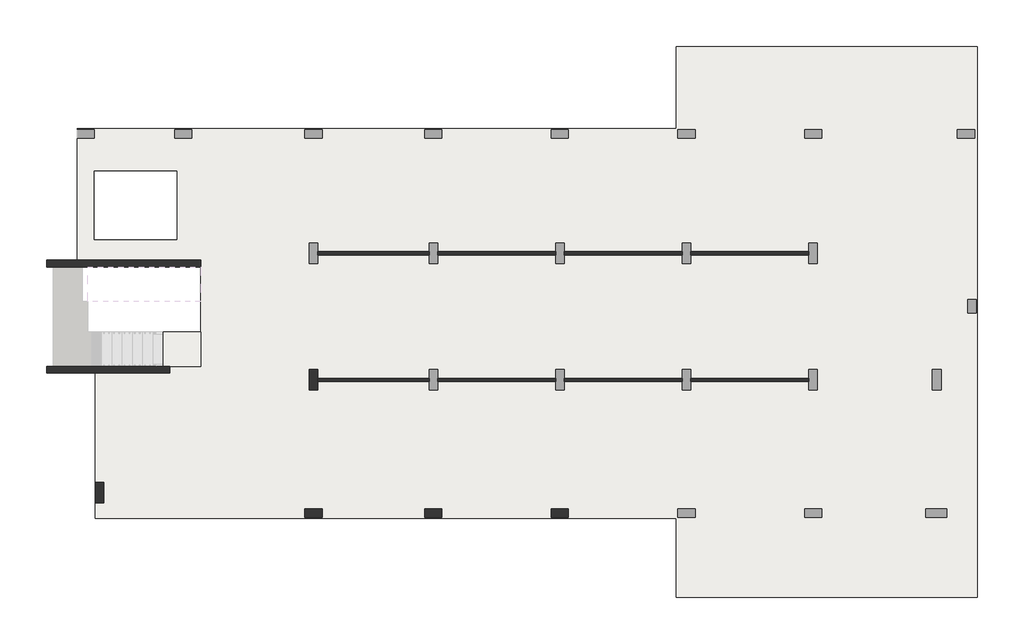
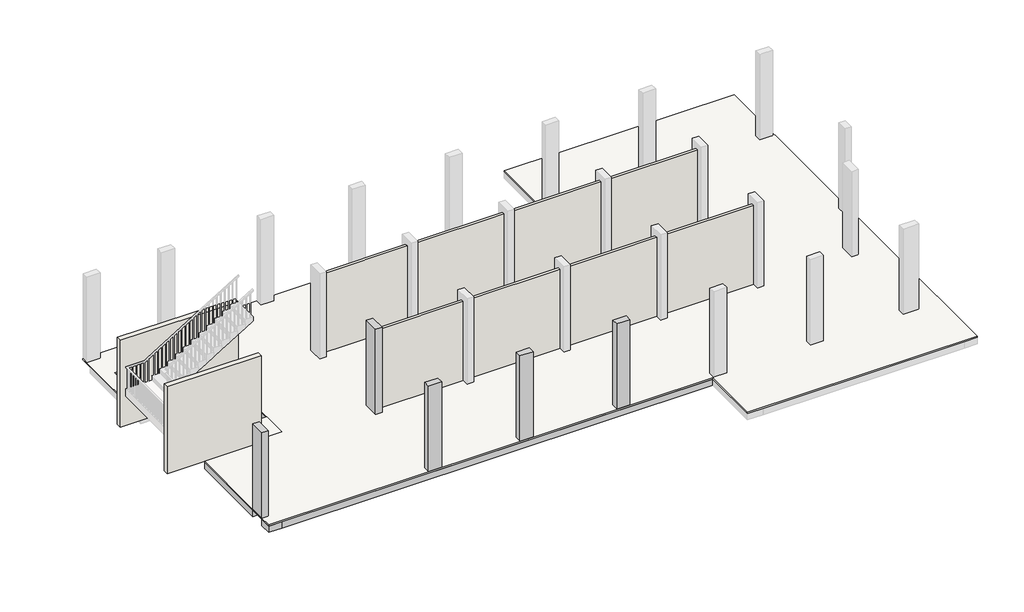
# One storey, part 1 of 5: 30 beams, 10 walls, 5 columns, 2 slabs.
"""IFC4 building model written with IfcOpenShell, lengths in millimetres."""

from ifc_helpers import new_model, si_unit, frame, origin, place, context, project, spatial, polyline, outline, extrude, faceted_brep, element, save

model = new_model("IFC4")

# Units and contexts
model_context = context("Model", 3, world=origin())
ifc_project = project(units=[si_unit("LENGTHUNIT", "METRE", prefix="MILLI")], contexts=[model_context])

# Site, building, storey
site = spatial("IfcSite", under=ifc_project)
building = spatial("IfcBuilding", under=site)
storey = spatial("IfcBuildingStorey", under=building, Elevation=3500.0)

# Beams
placement = place(None, origin())
element("IfcBeam", 1, ObjectType="B 150 x 250 mm", at=placement, inside=storey, context=model_context, shape_type="SweptSolid", body=[
    extrude(outline(polyline([(14525.0390798, -7596.8939341), (14675.0390798, -7596.8939341), (14675.0390798, -10746.893934), (14525.0390798, -10746.893934), (14525.0390798, -7596.8939341)])), frame((0.0, 0.0, 3200.0), z_axis=(0.0, 0.0, 1.0), x_axis=(1.0, 0.0, 0.0)), (0.0, 0.0, 1.0), 250.0),
])
element("IfcBeam", 2, ObjectType="B 150 x 250 mm", at=placement, inside=storey, context=model_context, shape_type="SweptSolid", body=[
    extrude(outline(polyline([(15075.0390798, -7596.8939341), (15225.0390798, -7596.8939341), (15225.0390798, -10746.893934), (15075.0390798, -10746.893934), (15075.0390798, -7596.8939341)])), frame((0.0, 0.0, 3200.0), z_axis=(0.0, 0.0, 1.0), x_axis=(1.0, 0.0, 0.0)), (0.0, 0.0, 1.0), 250.0),
])
element("IfcBeam", 3, ObjectType="B 150 x 250 mm", at=placement, inside=storey, context=model_context, shape_type="SweptSolid", body=[
    extrude(outline(polyline([(15625.0390798, -7596.8939341), (15775.0390798, -7596.8939341), (15775.0390798, -10746.893934), (15625.0390798, -10746.893934), (15625.0390798, -7596.8939341)])), frame((0.0, 0.0, 3200.0), z_axis=(0.0, 0.0, 1.0), x_axis=(1.0, 0.0, 0.0)), (0.0, 0.0, 1.0), 250.0),
])
element("IfcBeam", 4, ObjectType="B 150 x 250 mm", at=placement, inside=storey, context=model_context, shape_type="SweptSolid", body=[
    extrude(outline(polyline([(10825.0390798, -7596.8939341), (10975.0390798, -7596.8939341), (10975.0390798, -10746.893934), (10825.0390798, -10746.893934), (10825.0390798, -7596.8939341)])), frame((0.0, 0.0, 3200.0), z_axis=(0.0, 0.0, 1.0), x_axis=(1.0, 0.0, 0.0)), (0.0, 0.0, 1.0), 250.0),
])
element("IfcBeam", 5, ObjectType="B 150 x 250 mm", at=placement, inside=storey, context=model_context, shape_type="SweptSolid", body=[
    extrude(outline(polyline([(11375.0390798, -7596.8939341), (11525.0390798, -7596.8939341), (11525.0390798, -10746.893934), (11375.0390798, -10746.893934), (11375.0390798, -7596.8939341)])), frame((0.0, 0.0, 3200.0), z_axis=(0.0, 0.0, 1.0), x_axis=(1.0, 0.0, 0.0)), (0.0, 0.0, 1.0), 250.0),
])
element("IfcBeam", 6, ObjectType="B 150 x 250 mm", at=placement, inside=storey, context=model_context, shape_type="SweptSolid", body=[
    extrude(outline(polyline([(11925.0390798, -7596.8939341), (12075.0390798, -7596.8939341), (12075.0390798, -10746.893934), (11925.0390798, -10746.893934), (11925.0390798, -7596.8939341)])), frame((0.0, 0.0, 3200.0), z_axis=(0.0, 0.0, 1.0), x_axis=(1.0, 0.0, 0.0)), (0.0, 0.0, 1.0), 250.0),
])
element("IfcBeam", 7, ObjectType="B 150 x 250 mm", at=placement, inside=storey, context=model_context, shape_type="SweptSolid", body=[
    extrude(outline(polyline([(12475.0390798, -7596.8939341), (12625.0390798, -7596.8939341), (12625.0390798, -10746.893934), (12475.0390798, -10746.893934), (12475.0390798, -7596.8939341)])), frame((0.0, 0.0, 3200.0), z_axis=(0.0, 0.0, 1.0), x_axis=(1.0, 0.0, 0.0)), (0.0, 0.0, 1.0), 250.0),
])
element("IfcBeam", 8, ObjectType="B 150 x 250 mm", at=placement, inside=storey, context=model_context, shape_type="SweptSolid", body=[
    extrude(outline(polyline([(13025.0390798, -7596.8939341), (13175.0390798, -7596.8939341), (13175.0390798, -10746.893934), (13025.0390798, -10746.893934), (13025.0390798, -7596.8939341)])), frame((0.0, 0.0, 3200.0), z_axis=(0.0, 0.0, 1.0), x_axis=(1.0, 0.0, 0.0)), (0.0, 0.0, 1.0), 250.0),
])
element("IfcBeam", 9, ObjectType="B 150 x 250 mm", at=placement, inside=storey, context=model_context, shape_type="SweptSolid", body=[
    extrude(outline(polyline([(7225.0390798, -7596.8939341), (7375.0390798, -7596.8939341), (7375.0390798, -10746.893934), (7225.0390798, -10746.893934), (7225.0390798, -7596.8939341)])), frame((0.0, 0.0, 3200.0), z_axis=(0.0, 0.0, 1.0), x_axis=(1.0, 0.0, 0.0)), (0.0, 0.0, 1.0), 250.0),
])
element("IfcBeam", 10, ObjectType="B 150 x 250 mm", at=placement, inside=storey, context=model_context, shape_type="SweptSolid", body=[
    extrude(outline(polyline([(7775.0390798, -7596.8939341), (7925.0390798, -7596.8939341), (7925.0390798, -10746.893934), (7775.0390798, -10746.893934), (7775.0390798, -7596.8939341)])), frame((0.0, 0.0, 3200.0), z_axis=(0.0, 0.0, 1.0), x_axis=(1.0, 0.0, 0.0)), (0.0, 0.0, 1.0), 250.0),
])
element("IfcBeam", 11, ObjectType="B 150 x 250 mm", at=placement, inside=storey, context=model_context, shape_type="SweptSolid", body=[
    extrude(outline(polyline([(8325.0390798, -7596.8939341), (8475.0390798, -7596.8939341), (8475.0390798, -10746.893934), (8325.0390798, -10746.893934), (8325.0390798, -7596.8939341)])), frame((0.0, 0.0, 3200.0), z_axis=(0.0, 0.0, 1.0), x_axis=(1.0, 0.0, 0.0)), (0.0, 0.0, 1.0), 250.0),
])
element("IfcBeam", 12, ObjectType="B 150 x 250 mm", at=placement, inside=storey, context=model_context, shape_type="SweptSolid", body=[
    extrude(outline(polyline([(8875.0390798, -7596.8939341), (9025.0390798, -7596.8939341), (9025.0390798, -10746.893934), (8875.0390798, -10746.893934), (8875.0390798, -7596.8939341)])), frame((0.0, 0.0, 3200.0), z_axis=(0.0, 0.0, 1.0), x_axis=(1.0, 0.0, 0.0)), (0.0, 0.0, 1.0), 250.0),
])
element("IfcBeam", 13, ObjectType="B 150 x 250 mm", at=placement, inside=storey, context=model_context, shape_type="SweptSolid", body=[
    extrude(outline(polyline([(9425.0390798, -7596.8939341), (9575.0390798, -7596.8939341), (9575.0390798, -10746.893934), (9425.0390798, -10746.893934), (9425.0390798, -7596.8939341)])), frame((0.0, 0.0, 3200.0), z_axis=(0.0, 0.0, 1.0), x_axis=(1.0, 0.0, 0.0)), (0.0, 0.0, 1.0), 250.0),
])
element("IfcBeam", 14, ObjectType="B 150 x 250 mm", at=placement, inside=storey, context=model_context, shape_type="SweptSolid", body=[
    extrude(outline(polyline([(888.8989593, -7596.8939341), (888.8989593, -10746.893934), (777.7588387, -10746.893934), (777.7588387, -7596.8939341), (888.8989593, -7596.8939341)])), frame((0.0, 0.0, 3200.0), z_axis=(0.0, 0.0, 1.0), x_axis=(1.0, 0.0, 0.0)), (0.0, 0.0, 1.0), 250.0),
])
element("IfcBeam", 15, ObjectType="B 150 x 250 mm", at=placement, inside=storey, context=model_context, shape_type="SweptSolid", body=[
    extrude(outline(polyline([(1288.8989593, -7596.8939341), (1438.8989593, -7596.8939341), (1438.8989593, -10746.893934), (1288.8989593, -10746.893934), (1288.8989593, -7596.8939341)])), frame((0.0, 0.0, 3200.0), z_axis=(0.0, 0.0, 1.0), x_axis=(1.0, 0.0, 0.0)), (0.0, 0.0, 1.0), 250.0),
])
element("IfcBeam", 16, ObjectType="B 150 x 250 mm", at=placement, inside=storey, context=model_context, shape_type="SweptSolid", body=[
    extrude(outline(polyline([(1838.8989593, -7596.8939341), (1988.8989593, -7596.8939341), (1988.8989593, -10746.893934), (1838.8989593, -10746.893934), (1838.8989593, -7596.8939341)])), frame((0.0, 0.0, 3200.0), z_axis=(0.0, 0.0, 1.0), x_axis=(1.0, 0.0, 0.0)), (0.0, 0.0, 1.0), 250.0),
])
element("IfcBeam", 17, ObjectType="B 150 x 250 mm", at=placement, inside=storey, context=model_context, shape_type="SweptSolid", body=[
    extrude(outline(polyline([(2388.8989593, -7596.8939341), (2538.8989593, -7596.8939341), (2538.8989593, -10746.893934), (2388.8989593, -10746.893934), (2388.8989593, -7596.8939341)])), frame((0.0, 0.0, 3200.0), z_axis=(0.0, 0.0, 1.0), x_axis=(1.0, 0.0, 0.0)), (0.0, 0.0, 1.0), 250.0),
])
element("IfcBeam", 18, ObjectType="B 150 x 250 mm", at=placement, inside=storey, context=model_context, shape_type="SweptSolid", body=[
    extrude(outline(polyline([(2938.8989593, -7596.8939341), (3088.8989593, -7596.8939341), (3088.8989593, -10746.893934), (2938.8989593, -10746.893934), (2938.8989593, -7596.8939341)])), frame((0.0, 0.0, 3200.0), z_axis=(0.0, 0.0, 1.0), x_axis=(1.0, 0.0, 0.0)), (0.0, 0.0, 1.0), 250.0),
])
element("IfcBeam", 19, ObjectType="B 150 x 250 mm", at=placement, inside=storey, context=model_context, shape_type="SweptSolid", body=[
    extrude(outline(polyline([(3488.8989593, -7596.8939341), (3638.8989593, -7596.8939341), (3638.8989593, -10746.893934), (3488.8989593, -10746.893934), (3488.8989593, -7596.8939341)])), frame((0.0, 0.0, 3200.0), z_axis=(0.0, 0.0, 1.0), x_axis=(1.0, 0.0, 0.0)), (0.0, 0.0, 1.0), 250.0),
])
element("IfcBeam", 20, ObjectType="B 150 x 250 mm", at=placement, inside=storey, context=model_context, shape_type="SweptSolid", body=[
    extrude(outline(polyline([(4038.8989593, -7596.8939341), (4188.8989593, -7596.8939341), (4188.8989593, -10746.893934), (4038.8989593, -10746.893934), (4038.8989593, -7596.8939341)])), frame((0.0, 0.0, 3200.0), z_axis=(0.0, 0.0, 1.0), x_axis=(1.0, 0.0, 0.0)), (0.0, 0.0, 1.0), 250.0),
])
element("IfcBeam", 21, ObjectType="B 150 x 250 mm", at=placement, inside=storey, context=model_context, shape_type="SweptSolid", body=[
    extrude(outline(polyline([(4588.8989593, -7596.8939341), (4738.8989593, -7596.8939341), (4738.8989593, -10746.893934), (4588.8989593, -10746.893934), (4588.8989593, -7596.8939341)])), frame((0.0, 0.0, 3200.0), z_axis=(0.0, 0.0, 1.0), x_axis=(1.0, 0.0, 0.0)), (0.0, 0.0, 1.0), 250.0),
])
element("IfcBeam", 22, ObjectType="B 150 x 250 mm", at=placement, inside=storey, context=model_context, shape_type="SweptSolid", body=[
    extrude(outline(polyline([(5138.8989593, -7596.8939341), (5288.8989593, -7596.8939341), (5288.8989593, -10746.893934), (5138.8989593, -10746.893934), (5138.8989593, -7596.8939341)])), frame((0.0, 0.0, 3200.0), z_axis=(0.0, 0.0, 1.0), x_axis=(1.0, 0.0, 0.0)), (0.0, 0.0, 1.0), 250.0),
])
element("IfcBeam", 23, ObjectType="B 150 x 250 mm", at=placement, inside=storey, context=model_context, shape_type="SweptSolid", body=[
    extrude(outline(polyline([(5688.8989593, -7596.8939341), (5838.8989593, -7596.8939341), (5838.8989593, -10746.893934), (5688.8989593, -10746.893934), (5688.8989593, -7596.8939341)])), frame((0.0, 0.0, 3200.0), z_axis=(0.0, 0.0, 1.0), x_axis=(1.0, 0.0, 0.0)), (0.0, 0.0, 1.0), 250.0),
])
element("IfcBeam", 24, ObjectType="B 150 x 250 mm", at=placement, inside=storey, context=model_context, shape_type="SweptSolid", body=[
    extrude(outline(polyline([(6238.8989593, -10746.893934), (6238.8989593, -7596.8939341), (6350.0390798, -7596.8939341), (6350.0390798, -10746.893934), (6238.8989593, -10746.893934)])), frame((0.0, 0.0, 3200.0), z_axis=(0.0, 0.0, 1.0), x_axis=(1.0, 0.0, 0.0)), (0.0, 0.0, 1.0), 250.0),
])
element("IfcBeam", 25, ObjectType="B 150 x 250 mm", at=placement, inside=storey, context=model_context, shape_type="SweptSolid", body=[
    extrude(outline(polyline([(3925.0195399, -3896.893934), (4075.0195399, -3896.893934), (4075.0195399, -6796.8939341), (3925.0195399, -6796.8939341), (3925.0195399, -3896.893934)])), frame((0.0, 0.0, 3200.0), z_axis=(0.0, 0.0, 1.0), x_axis=(1.0, 0.0, 0.0)), (0.0, 0.0, 1.0), 250.0),
])
element("IfcBeam", 26, ObjectType="B 150 x 250 mm", at=placement, inside=storey, context=model_context, shape_type="SweptSolid", body=[
    extrude(outline(polyline([(4475.0195399, -3896.893934), (4625.0195399, -3896.893934), (4625.0195399, -6796.8939341), (4475.0195399, -6796.8939341), (4475.0195399, -3896.893934)])), frame((0.0, 0.0, 3200.0), z_axis=(0.0, 0.0, 1.0), x_axis=(1.0, 0.0, 0.0)), (0.0, 0.0, 1.0), 250.0),
])
element("IfcBeam", 27, ObjectType="B 150 x 250 mm", at=placement, inside=storey, context=model_context, shape_type="SweptSolid", body=[
    extrude(outline(polyline([(5025.0195399, -3896.893934), (5175.0195399, -3896.893934), (5175.0195399, -6796.8939341), (5025.0195399, -6796.8939341), (5025.0195399, -3896.893934)])), frame((0.0, 0.0, 3200.0), z_axis=(0.0, 0.0, 1.0), x_axis=(1.0, 0.0, 0.0)), (0.0, 0.0, 1.0), 250.0),
])
element("IfcBeam", 28, ObjectType="B5 500 x 250 mm", at=placement, inside=storey, context=model_context, shape_type="Brep", body=[
    faceted_brep([(777.7588387, -6996.8939341, 3450.0), (277.7588387, -6996.8939341, 3450.0), (277.7588387, -10196.893934, 3450.0), (527.7588387, -10196.893934, 3450.0), (527.7588387, -10796.893934, 3450.0), (277.7588387, -10796.893934, 3450.0), (277.7588387, -11246.893934, 3450.0), (777.7588387, -11246.893934, 3450.0), (777.7588387, -10746.893934, 3450.0), (777.7588387, -7596.8939341, 3450.0), (777.7588387, -6996.8939341, 3200.0), (777.7588387, -11246.893934, 3200.0), (777.7588387, -10746.893934, 3200.0), (777.7588387, -7596.8939341, 3200.0), (277.7588387, -6996.8939341, 3200.0), (277.7588387, -11246.893934, 3200.0), (277.7588387, -10796.893934, 3200.0), (527.7588387, -10796.893934, 3200.0), (527.7588387, -10196.893934, 3200.0), (277.7588387, -10196.893934, 3200.0)], [[[0, 1, 2, 3, 4, 5, 6, 7, 8, 9]], [[10, 0, 9, 8, 7, 11, 12, 13]], [[14, 10, 13, 12, 11, 15, 16, 17, 18, 19]], [[1, 14, 19, 2]], [[1, 0, 10, 14]], [[18, 3, 2, 19]], [[4, 17, 16, 5]], [[3, 18, 17, 4]], [[15, 6, 5, 16]], [[7, 6, 15, 11]]]),
])
element("IfcBeam", 29, ObjectType="B5 500 x 250 mm", at=placement, inside=storey, context=model_context, shape_type="Brep", body=[
    faceted_brep([(25550.0000727, -11246.893934, 3450.0), (25550.0000727, -11246.893934, 3200.0), (25550.0000727, -10746.893934, 3200.0), (25550.0000727, -10746.893934, 3450.0), (25275.0195763, -10746.893934, 3450.0), (25125.0195763, -10746.893934, 3450.0), (24725.0195763, -10746.893934, 3450.0), (24575.0195763, -10746.893934, 3450.0), (24175.0195763, -10746.893934, 3450.0), (24025.0195763, -10746.893934, 3450.0), (23625.0195763, -10746.893934, 3450.0), (23475.0195763, -10746.893934, 3450.0), (23075.0195763, -10746.893934, 3450.0), (22925.0195763, -10746.893934, 3450.0), (22525.0195763, -10746.893934, 3450.0), (22375.0195763, -10746.893934, 3450.0), (21975.0195763, -10746.893934, 3450.0), (21825.0195763, -10746.893934, 3450.0), (21550.0390798, -10746.893934, 3450.0), (20950.0390798, -10746.893934, 3450.0), (20575.0390798, -10746.893934, 3450.0), (20425.0390798, -10746.893934, 3450.0), (20025.0390798, -10746.893934, 3450.0), (19875.0390798, -10746.893934, 3450.0), (19475.0390798, -10746.893934, 3450.0), (19325.0390798, -10746.893934, 3450.0), (18925.0390798, -10746.893934, 3450.0), (18775.0390798, -10746.893934, 3450.0), (18375.0390798, -10746.893934, 3450.0), (18225.0390798, -10746.893934, 3450.0), (17850.0390798, -10746.893934, 3450.0), (17250.0390798, -10746.893934, 3450.0), (16875.0390798, -10746.893934, 3450.0), (16725.0390798, -10746.893934, 3450.0), (16325.0390798, -10746.893934, 3450.0), (16175.0390798, -10746.893934, 3450.0), (15775.0390798, -10746.893934, 3450.0), (15625.0390798, -10746.893934, 3450.0), (15225.0390798, -10746.893934, 3450.0), (15075.0390798, -10746.893934, 3450.0), (14675.0390798, -10746.893934, 3450.0), (14525.0390798, -10746.893934, 3450.0), (14150.0390798, -10746.893934, 3450.0), (13550.0390798, -10746.893934, 3450.0), (13175.0390798, -10746.893934, 3450.0), (13025.0390798, -10746.893934, 3450.0), (12625.0390798, -10746.893934, 3450.0), (12475.0390798, -10746.893934, 3450.0), (12075.0390798, -10746.893934, 3450.0), (11925.0390798, -10746.893934, 3450.0), (11525.0390798, -10746.893934, 3450.0), (11375.0390798, -10746.893934, 3450.0), (10975.0390798, -10746.893934, 3450.0), (10825.0390798, -10746.893934, 3450.0), (10450.0390798, -10746.893934, 3450.0), (9850.0390798, -10746.893934, 3450.0), (9575.0390798, -10746.893934, 3450.0), (9425.0390798, -10746.893934, 3450.0), (9025.0390798, -10746.893934, 3450.0), (8875.0390798, -10746.893934, 3450.0), (8475.0390798, -10746.893934, 3450.0), (8325.0390798, -10746.893934, 3450.0), (7925.0390798, -10746.893934, 3450.0), (7775.0390798, -10746.893934, 3450.0), (7375.0390798, -10746.893934, 3450.0), (7225.0390798, -10746.893934, 3450.0), (6950.0390798, -10746.893934, 3450.0), (6350.0390798, -10746.893934, 3450.0), (6238.8989593, -10746.893934, 3450.0), (5838.8989593, -10746.893934, 3450.0), (5688.8989593, -10746.893934, 3450.0), (5288.8989593, -10746.893934, 3450.0), (5138.8989593, -10746.893934, 3450.0), (4738.8989593, -10746.893934, 3450.0), (4588.8989593, -10746.893934, 3450.0), (4188.8989593, -10746.893934, 3450.0), (4038.8989593, -10746.893934, 3450.0), (3638.8989593, -10746.893934, 3450.0), (3488.8989593, -10746.893934, 3450.0), (3088.8989593, -10746.893934, 3450.0), (2938.8989593, -10746.893934, 3450.0), (2538.8989593, -10746.893934, 3450.0), (2388.8989593, -10746.893934, 3450.0), (1988.8989593, -10746.893934, 3450.0), (1838.8989593, -10746.893934, 3450.0), (1438.8989593, -10746.893934, 3450.0), (1288.8989593, -10746.893934, 3450.0), (888.8989593, -10746.893934, 3450.0), (777.7588387, -10746.893934, 3450.0), (777.7588387, -11246.893934, 3450.0), (17250.0390798, -11246.893934, 3450.0), (17850.0390798, -11246.893934, 3450.0), (18225.0390798, -11246.893934, 3450.0), (18375.0390798, -11246.893934, 3450.0), (18775.0390798, -11246.893934, 3450.0), (18925.0390798, -11246.893934, 3450.0), (19325.0390798, -11246.893934, 3450.0), (19475.0390798, -11246.893934, 3450.0), (19875.0390798, -11246.893934, 3450.0), (20025.0390798, -11246.893934, 3450.0), (20425.0390798, -11246.893934, 3450.0), (20575.0390798, -11246.893934, 3450.0), (20950.0390798, -11246.893934, 3450.0), (21550.0390798, -11246.893934, 3450.0), (21825.0195763, -11246.893934, 3450.0), (21975.0195763, -11246.893934, 3450.0), (22375.0195763, -11246.893934, 3450.0), (22525.0195763, -11246.893934, 3450.0), (22925.0195763, -11246.893934, 3450.0), (23075.0195763, -11246.893934, 3450.0), (23475.0195763, -11246.893934, 3450.0), (23625.0195763, -11246.893934, 3450.0), (24025.0195763, -11246.893934, 3450.0), (24175.0195763, -11246.893934, 3450.0), (24575.0195763, -11246.893934, 3450.0), (24725.0195763, -11246.893934, 3450.0), (25125.0195763, -11246.893934, 3450.0), (25275.0195763, -11246.893934, 3450.0), (25146.5, -11220.893934, 3450.0), (24546.5, -11220.893934, 3450.0), (24546.5, -10970.893934, 3450.0), (25146.5, -10970.893934, 3450.0), (21500.0390798, -11221.8939341, 3450.0), (21000.0390798, -11221.8939341, 3450.0), (21000.0390798, -10971.8939341, 3450.0), (21500.0390798, -10971.8939341, 3450.0), (17800.0390798, -11221.8939341, 3450.0), (17300.0390798, -11221.8939341, 3450.0), (17300.0390798, -10971.8939341, 3450.0), (17800.0390798, -10971.8939341, 3450.0), (14100.0390798, -11221.8939341, 3450.0), (13600.0390798, -11221.8939341, 3450.0), (13600.0390798, -10971.8939341, 3450.0), (14100.0390798, -10971.8939341, 3450.0), (10400.0390798, -11221.8939341, 3450.0), (9900.0390798, -11221.8939341, 3450.0), (9900.0390798, -10971.8939341, 3450.0), (10400.0390798, -10971.8939341, 3450.0), (6900.0390798, -11221.8939341, 3450.0), (6400.0390798, -11221.8939341, 3450.0), (6400.0390798, -10971.8939341, 3450.0), (6900.0390798, -10971.8939341, 3450.0), (25275.0195763, -10746.893934, 3200.0), (25125.0195763, -10746.893934, 3200.0), (24725.0195763, -10746.893934, 3200.0), (24575.0195763, -10746.893934, 3200.0), (24175.0195763, -10746.893934, 3200.0), (24025.0195763, -10746.893934, 3200.0), (23625.0195763, -10746.893934, 3200.0), (23475.0195763, -10746.893934, 3200.0), (23075.0195763, -10746.893934, 3200.0), (22925.0195763, -10746.893934, 3200.0), (22525.0195763, -10746.893934, 3200.0), (22375.0195763, -10746.893934, 3200.0), (21975.0195763, -10746.893934, 3200.0), (21825.0195763, -10746.893934, 3200.0), (21550.0390798, -10746.893934, 3200.0), (20950.0390798, -10746.893934, 3200.0), (20575.0390798, -10746.893934, 3200.0), (20425.0390798, -10746.893934, 3200.0), (20025.0390798, -10746.893934, 3200.0), (19875.0390798, -10746.893934, 3200.0), (19475.0390798, -10746.893934, 3200.0), (19325.0390798, -10746.893934, 3200.0), (18925.0390798, -10746.893934, 3200.0), (18775.0390798, -10746.893934, 3200.0), (18375.0390798, -10746.893934, 3200.0), (18225.0390798, -10746.893934, 3200.0), (17850.0390798, -10746.893934, 3200.0), (17250.0390798, -10746.893934, 3200.0), (16875.0390798, -10746.893934, 3200.0), (16725.0390798, -10746.893934, 3200.0), (16325.0390798, -10746.893934, 3200.0), (16175.0390798, -10746.893934, 3200.0), (15775.0390798, -10746.893934, 3200.0), (15625.0390798, -10746.893934, 3200.0), (15225.0390798, -10746.893934, 3200.0), (15075.0390798, -10746.893934, 3200.0), (14675.0390798, -10746.893934, 3200.0), (14525.0390798, -10746.893934, 3200.0), (14150.0390798, -10746.893934, 3200.0), (13550.0390798, -10746.893934, 3200.0), (13175.0390798, -10746.893934, 3200.0), (13025.0390798, -10746.893934, 3200.0), (12625.0390798, -10746.893934, 3200.0), (12475.0390798, -10746.893934, 3200.0), (12075.0390798, -10746.893934, 3200.0), (11925.0390798, -10746.893934, 3200.0), (11525.0390798, -10746.893934, 3200.0), (11375.0390798, -10746.893934, 3200.0), (10975.0390798, -10746.893934, 3200.0), (10825.0390798, -10746.893934, 3200.0), (10450.0390798, -10746.893934, 3200.0), (9850.0390798, -10746.893934, 3200.0), (9575.0390798, -10746.893934, 3200.0), (9425.0390798, -10746.893934, 3200.0), (9025.0390798, -10746.893934, 3200.0), (8875.0390798, -10746.893934, 3200.0), (8475.0390798, -10746.893934, 3200.0), (8325.0390798, -10746.893934, 3200.0), (7925.0390798, -10746.893934, 3200.0), (7775.0390798, -10746.893934, 3200.0), (7375.0390798, -10746.893934, 3200.0), (7225.0390798, -10746.893934, 3200.0), (6950.0390798, -10746.893934, 3200.0), (6350.0390798, -10746.893934, 3200.0), (6238.8989593, -10746.893934, 3200.0), (5838.8989593, -10746.893934, 3200.0), (5688.8989593, -10746.893934, 3200.0), (5288.8989593, -10746.893934, 3200.0), (5138.8989593, -10746.893934, 3200.0), (4738.8989593, -10746.893934, 3200.0), (4588.8989593, -10746.893934, 3200.0), (4188.8989593, -10746.893934, 3200.0), (4038.8989593, -10746.893934, 3200.0), (3638.8989593, -10746.893934, 3200.0), (3488.8989593, -10746.893934, 3200.0), (3088.8989593, -10746.893934, 3200.0), (2938.8989593, -10746.893934, 3200.0), (2538.8989593, -10746.893934, 3200.0), (2388.8989593, -10746.893934, 3200.0), (1988.8989593, -10746.893934, 3200.0), (1838.8989593, -10746.893934, 3200.0), (1438.8989593, -10746.893934, 3200.0), (1288.8989593, -10746.893934, 3200.0), (888.8989593, -10746.893934, 3200.0), (777.7588387, -10746.893934, 3200.0), (25275.0195763, -11246.893934, 3200.0), (25125.0195763, -11246.893934, 3200.0), (24725.0195763, -11246.893934, 3200.0), (24575.0195763, -11246.893934, 3200.0), (24175.0195763, -11246.893934, 3200.0), (24025.0195763, -11246.893934, 3200.0), (23625.0195763, -11246.893934, 3200.0), (23475.0195763, -11246.893934, 3200.0), (23075.0195763, -11246.893934, 3200.0), (22925.0195763, -11246.893934, 3200.0), (22525.0195763, -11246.893934, 3200.0), (22375.0195763, -11246.893934, 3200.0), (21975.0195763, -11246.893934, 3200.0), (21825.0195763, -11246.893934, 3200.0), (21550.0390798, -11246.893934, 3200.0), (20950.0390798, -11246.893934, 3200.0), (20575.0390798, -11246.893934, 3200.0), (20425.0390798, -11246.893934, 3200.0), (20025.0390798, -11246.893934, 3200.0), (19875.0390798, -11246.893934, 3200.0), (19475.0390798, -11246.893934, 3200.0), (19325.0390798, -11246.893934, 3200.0), (18925.0390798, -11246.893934, 3200.0), (18775.0390798, -11246.893934, 3200.0), (18375.0390798, -11246.893934, 3200.0), (18225.0390798, -11246.893934, 3200.0), (17850.0390798, -11246.893934, 3200.0), (17250.0390798, -11246.893934, 3200.0), (777.7588387, -11246.893934, 3200.0), (24546.5, -11220.893934, 3200.0), (25146.5, -11220.893934, 3200.0), (25146.5, -10970.893934, 3200.0), (24546.5, -10970.893934, 3200.0), (21000.0390798, -11221.8939341, 3200.0), (21500.0390798, -11221.8939341, 3200.0), (21500.0390798, -10971.8939341, 3200.0), (21000.0390798, -10971.8939341, 3200.0), (17300.0390798, -11221.8939341, 3200.0), (17800.0390798, -11221.8939341, 3200.0), (17800.0390798, -10971.8939341, 3200.0), (17300.0390798, -10971.8939341, 3200.0), (13600.0390798, -11221.8939341, 3200.0), (14100.0390798, -11221.8939341, 3200.0), (14100.0390798, -10971.8939341, 3200.0), (13600.0390798, -10971.8939341, 3200.0), (9900.0390798, -11221.8939341, 3200.0), (10400.0390798, -11221.8939341, 3200.0), (10400.0390798, -10971.8939341, 3200.0), (9900.0390798, -10971.8939341, 3200.0), (6400.0390798, -11221.8939341, 3200.0), (6900.0390798, -11221.8939341, 3200.0), (6900.0390798, -10971.8939341, 3200.0), (6400.0390798, -10971.8939341, 3200.0)], [[[0, 1, 2, 3]], [[0, 3, 4, 5, 6, 7, 8, 9, 10, 11, 12, 13, 14, 15, 16, 17, 18, 19, 20, 21, 22, 23, 24, 25, 26, 27, 28, 29, 30, 31, 32, 33, 34, 35, 36, 37, 38, 39, 40, 41, 42, 43, 44, 45, 46, 47, 48, 49, 50, 51, 52, 53, 54, 55, 56, 57, 58, 59, 60, 61, 62, 63, 64, 65, 66, 67, 68, 69, 70, 71, 72, 73, 74, 75, 76, 77, 78, 79, 80, 81, 82, 83, 84, 85, 86, 87, 88, 89, 90, 91, 92, 93, 94, 95, 96, 97, 98, 99, 100, 101, 102, 103, 104, 105, 106, 107, 108, 109, 110, 111, 112, 113, 114, 115, 116, 117], [118, 119, 120, 121], [122, 123, 124, 125], [126, 127, 128, 129], [130, 131, 132, 133], [134, 135, 136, 137], [138, 139, 140, 141]], [[3, 2, 142, 143, 144, 145, 146, 147, 148, 149, 150, 151, 152, 153, 154, 155, 156, 157, 158, 159, 160, 161, 162, 163, 164, 165, 166, 167, 168, 169, 170, 171, 172, 173, 174, 175, 176, 177, 178, 179, 180, 181, 182, 183, 184, 185, 186, 187, 188, 189, 190, 191, 192, 193, 194, 195, 196, 197, 198, 199, 200, 201, 202, 203, 204, 205, 206, 207, 208, 209, 210, 211, 212, 213, 214, 215, 216, 217, 218, 219, 220, 221, 222, 223, 224, 225, 226, 88, 87, 86, 85, 84, 83, 82, 81, 80, 79, 78, 77, 76, 75, 74, 73, 72, 71, 70, 69, 68, 67, 66, 65, 64, 63, 62, 61, 60, 59, 58, 57, 56, 55, 54, 53, 52, 51, 50, 49, 48, 47, 46, 45, 44, 43, 42, 41, 40, 39, 38, 37, 36, 35, 34, 33, 32, 31, 30, 29, 28, 27, 26, 25, 24, 23, 22, 21, 20, 19, 18, 17, 16, 15, 14, 13, 12, 11, 10, 9, 8, 7, 6, 5, 4]], [[2, 1, 227, 228, 229, 230, 231, 232, 233, 234, 235, 236, 237, 238, 239, 240, 241, 242, 243, 244, 245, 246, 247, 248, 249, 250, 251, 252, 253, 254, 255, 226, 225, 224, 223, 222, 221, 220, 219, 218, 217, 216, 215, 214, 213, 212, 211, 210, 209, 208, 207, 206, 205, 204, 203, 202, 201, 200, 199, 198, 197, 196, 195, 194, 193, 192, 191, 190, 189, 188, 187, 186, 185, 184, 183, 182, 181, 180, 179, 178, 177, 176, 175, 174, 173, 172, 171, 170, 169, 168, 167, 166, 165, 164, 163, 162, 161, 160, 159, 158, 157, 156, 155, 154, 153, 152, 151, 150, 149, 148, 147, 146, 145, 144, 143, 142], [256, 257, 258, 259], [260, 261, 262, 263], [264, 265, 266, 267], [268, 269, 270, 271], [272, 273, 274, 275], [276, 277, 278, 279]], [[1, 0, 117, 116, 115, 114, 113, 112, 111, 110, 109, 108, 107, 106, 105, 104, 103, 102, 101, 100, 99, 98, 97, 96, 95, 94, 93, 92, 91, 90, 89, 255, 254, 253, 252, 251, 250, 249, 248, 247, 246, 245, 244, 243, 242, 241, 240, 239, 238, 237, 236, 235, 234, 233, 232, 231, 230, 229, 228, 227]], [[118, 257, 256, 119]], [[257, 118, 121, 258]], [[258, 121, 120, 259]], [[119, 256, 259, 120]], [[122, 261, 260, 123]], [[261, 122, 125, 262]], [[262, 125, 124, 263]], [[123, 260, 263, 124]], [[126, 265, 264, 127]], [[265, 126, 129, 266]], [[266, 129, 128, 267]], [[127, 264, 267, 128]], [[130, 269, 268, 131]], [[269, 130, 133, 270]], [[270, 133, 132, 271]], [[131, 268, 271, 132]], [[134, 273, 272, 135]], [[273, 134, 137, 274]], [[274, 137, 136, 275]], [[135, 272, 275, 136]], [[138, 277, 276, 139]], [[277, 138, 141, 278]], [[278, 141, 140, 279]], [[139, 276, 279, 140]], [[89, 88, 226, 255]]]),
])
element("IfcBeam", 30, ObjectType="B5 500 x 250 mm", at=placement, inside=storey, context=model_context, shape_type="Brep", body=[
    faceted_brep([(3350.0, -6796.8939341, 3450.0), (3850.0, -6796.8939341, 3450.0), (3850.0, -3896.893934, 3450.0), (3350.0, -3896.893934, 3450.0), (3350.0, -6796.8939341, 3200.0), (3350.0, -3896.893934, 3200.0), (3350.0, -5796.8939341, 3200.0), (3850.0, -6796.8939341, 3200.0), (3850.0, -3896.893934, 3200.0)], [[[0, 1, 2, 3]], [[4, 0, 3, 5, 6]], [[7, 4, 6, 5, 8]], [[1, 7, 8, 2]], [[1, 0, 4, 7]], [[3, 2, 8, 5]]]),
])

# Columns
element("IfcColumn", 31, ObjectType="C1 25 x 50mm", at=placement, inside=storey, context=model_context, shape_type="SweptSolid", body=[
    extrude(outline(polyline([(13600.0390798, -10971.8939341), (14100.0390798, -10971.8939341), (14100.0390798, -11221.8939341), (13600.0390798, -11221.8939341), (13600.0390798, -10971.8939341)])), frame((0.0, 0.0, 3500.0), z_axis=(0.0, 0.0, 1.0), x_axis=(1.0, 0.0, 0.0)), (0.0, 0.0, 1.0), 3450.0),
])
element("IfcColumn", 32, ObjectType="C1 25 x 50mm", at=placement, inside=storey, context=model_context, shape_type="SweptSolid", body=[
    extrude(outline(polyline([(9900.0390798, -10971.8939341), (10400.0390798, -10971.8939341), (10400.0390798, -11221.8939341), (9900.0390798, -11221.8939341), (9900.0390798, -10971.8939341)])), frame((0.0, 0.0, 3500.0), z_axis=(0.0, 0.0, 1.0), x_axis=(1.0, 0.0, 0.0)), (0.0, 0.0, 1.0), 3450.0),
])
element("IfcColumn", 33, ObjectType="C1 25 x 50mm", at=placement, inside=storey, context=model_context, shape_type="SweptSolid", body=[
    extrude(outline(polyline([(6400.0390798, -10971.8939341), (6900.0390798, -10971.8939341), (6900.0390798, -11221.8939341), (6400.0390798, -11221.8939341), (6400.0390798, -10971.8939341)])), frame((0.0, 0.0, 3500.0), z_axis=(0.0, 0.0, 1.0), x_axis=(1.0, 0.0, 0.0)), (0.0, 0.0, 1.0), 3450.0),
])
element("IfcColumn", 34, ObjectType="C2 25 x 60 mm", at=placement, inside=storey, context=model_context, shape_type="Brep", body=[
    faceted_brep([(6775.0390798, -6896.8939341, 3500.0), (6775.0390798, -7146.8939341, 3500.0), (6775.0390798, -7246.8939341, 3500.0), (6775.0390798, -7496.8939341, 3500.0), (6525.0390798, -7496.8939341, 3500.0), (6525.0390798, -6896.8939341, 3500.0), (6525.0390798, -6896.8939341, 6700.0), (6525.0390798, -6896.8939341, 6950.0), (6775.0390798, -6896.8939341, 6950.0), (6775.0390798, -6896.8939341, 6700.0), (6525.0390798, -7496.8939341, 6700.0), (6525.0390798, -7496.8939341, 6950.0), (6775.0390798, -7496.8939341, 6700.0), (6775.0390798, -7496.8939341, 6950.0)], [[[0, 1, 2, 3, 4, 5]], [[0, 5, 6, 7, 8, 9]], [[5, 4, 10, 11, 7, 6]], [[4, 3, 12, 13, 11, 10]], [[3, 2, 1, 0, 9, 8, 13, 12]], [[8, 7, 11, 13]]]),
])
element("IfcColumn", 35, ObjectType="C2 25 x 60 mm", at=placement, inside=storey, context=model_context, shape_type="Brep", body=[
    faceted_brep([(527.7588387, -10196.893934, 3500.0), (527.7588387, -10796.893934, 3500.0), (277.7588387, -10796.893934, 3500.0), (277.7588387, -10196.893934, 3500.0), (277.7588387, -10196.893934, 6700.0), (277.7588387, -10196.893934, 6950.0), (527.7588387, -10196.893934, 6950.0), (527.7588387, -10196.893934, 6700.0), (277.7588387, -10796.893934, 6700.0), (277.7588387, -10796.893934, 6950.0), (527.7588387, -10796.893934, 6700.0), (527.7588387, -10796.893934, 6950.0)], [[[0, 1, 2, 3]], [[0, 3, 4, 5, 6, 7]], [[3, 2, 8, 9, 5, 4]], [[2, 1, 10, 11, 9, 8]], [[1, 0, 7, 6, 11, 10]], [[6, 5, 9, 11]]]),
])

# Slabs
element("IfcSlab", 36, at=placement, inside=storey, context=model_context, shape_type="Brep", body=[
    faceted_brep([(26050.0000727, 2553.106066, 3450.0), (26050.0000727, -13546.8939341, 3450.0), (25550.0000727, -13546.8939341, 3450.0), (17850.0390798, -13546.8939341, 3450.0), (17250.0390798, -13546.8939341, 3450.0), (17250.0390798, -11246.893934, 3450.0), (777.7588387, -11246.893934, 3450.0), (277.7588387, -11246.893934, 3450.0), (277.7588387, -10796.893934, 3450.0), (277.7588387, -10196.893934, 3450.0), (277.7588387, -6996.8939341, 3450.0), (777.7588387, -6996.8939341, 3450.0), (2450.0, -6996.8939341, 3450.0), (2450.0, -6796.8939341, 3450.0), (3350.0, -6796.8939341, 3450.0), (3350.0, -3896.893934, 3450.0), (3350.0, -3696.893934, 3450.0), (250.0, -3696.893934, 3450.0), (-250.0, -3696.893934, 3450.0), (-250.0, -346.893934, 3450.0), (-250.0, -121.893934, 3450.0), (-250.0, 128.106066, 3450.0), (-250.0, 153.106066, 3450.0), (17250.0390798, 153.106066, 3450.0), (17250.0390798, 2553.106066, 3450.0), (17850.0390798, 2553.106066, 3450.0), (20950.0390798, 2553.106066, 3450.0), (21550.0390798, 2553.106066, 3450.0), (25550.0000727, 2553.106066, 3450.0), (2650.0, -1096.893934, 3450.0), (250.0, -1096.893934, 3450.0), (250.0, -3096.893934, 3450.0), (2650.0, -3096.893934, 3450.0), (26050.0000727, -13546.8939341, 3500.0), (26050.0000727, 2553.106066, 3500.0), (17250.0390798, 2553.106066, 3500.0), (17250.0390798, 153.106066, 3500.0), (-250.0, 153.106066, 3500.0), (-250.0, 128.106066, 3500.0), (-250.0, -121.893934, 3500.0), (-250.0, -3696.893934, 3500.0), (3350.0, -3696.893934, 3500.0), (3350.0, -6796.8939341, 3500.0), (2450.0, -6796.8939341, 3500.0), (2450.0, -6996.8939341, 3500.0), (277.7588387, -6996.8939341, 3500.0), (277.7588387, -10196.893934, 3500.0), (277.7588387, -10796.893934, 3500.0), (277.7588387, -11246.893934, 3500.0), (17250.0390798, -11246.893934, 3500.0), (17250.0390798, -13546.8939341, 3500.0), (250.0, -1096.893934, 3500.0), (2650.0, -1096.893934, 3500.0), (2650.0, -3096.893934, 3500.0), (250.0, -3096.893934, 3500.0)], [[[0, 1, 2, 3, 4, 5, 6, 7, 8, 9, 10, 11, 12, 13, 14, 15, 16, 17, 18, 19, 20, 21, 22, 23, 24, 25, 26, 27, 28], [29, 30, 31, 32]], [[33, 34, 35, 36, 37, 38, 39, 40, 41, 42, 43, 44, 45, 46, 47, 48, 49, 50], [51, 52, 53, 54]], [[1, 0, 34, 33]], [[4, 3, 2, 1, 33, 50]], [[5, 4, 50, 49]], [[7, 6, 5, 49, 48]], [[10, 9, 8, 7, 48, 47, 46, 45]], [[12, 11, 10, 45, 44]], [[13, 12, 44, 43]], [[14, 13, 43, 42]], [[16, 15, 14, 42, 41]], [[18, 17, 16, 41, 40]], [[22, 21, 20, 19, 18, 40, 39, 38, 37]], [[23, 22, 37, 36]], [[24, 23, 36, 35]], [[0, 28, 27, 26, 25, 24, 35, 34]], [[29, 52, 51, 30]], [[30, 51, 54, 31]], [[31, 54, 53, 32]], [[52, 29, 32, 53]]]),
])
element("IfcSlab", 37, at=placement, inside=storey, context=model_context, shape_type="Brep", body=[
    faceted_brep([(1963.3, -5796.8939341, 3200.0), (3350.0, -5796.8939341, 3200.0), (3350.0, -6796.8939341, 3200.0), (2450.0, -6796.8939341, 3200.0), (1963.3, -6796.8939341, 3200.0), (1963.3, -5796.8939341, 3500.0), (1963.3, -6796.8939341, 3500.0), (3350.0, -6796.8939341, 3500.0), (3350.0, -5796.8939341, 3500.0), (3350.0, -6796.8939341, 3450.0)], [[[0, 1, 2, 3, 4]], [[5, 6, 7, 8]], [[1, 0, 5, 8]], [[2, 1, 8, 7, 9]], [[4, 3, 2, 9, 7, 6]], [[0, 4, 6, 5]]]),
])

# Walls
element("IfcWall", 38, at=placement, inside=storey, context=model_context, shape_type="SweptSolid", body=[
    extrude(outline(polyline([(10025.0390798, -7246.8939341), (6775.0390798, -7246.8939341), (6775.0390798, -7146.8939341), (10025.0390798, -7146.8939341), (10025.0390798, -7246.8939341)])), frame((0.0, 0.0, 3500.0), z_axis=(0.0, 0.0, 1.0), x_axis=(1.0, 0.0, 0.0)), (0.0, 0.0, 1.0), 3200.0),
])
element("IfcWall", 39, at=placement, inside=storey, context=model_context, shape_type="SweptSolid", body=[
    extrude(outline(polyline([(13725.0390798, -7246.8939341), (10275.0390798, -7246.8939341), (10275.0390798, -7146.8939341), (13725.0390798, -7146.8939341), (13725.0390798, -7246.8939341)])), frame((0.0, 0.0, 3500.0), z_axis=(0.0, 0.0, 1.0), x_axis=(1.0, 0.0, 0.0)), (0.0, 0.0, 1.0), 3200.0),
])
element("IfcWall", 40, at=placement, inside=storey, context=model_context, shape_type="SweptSolid", body=[
    extrude(outline(polyline([(17425.0390798, -7246.8939341), (13975.0390798, -7246.8939341), (13975.0390798, -7146.8939341), (17425.0390798, -7146.8939341), (17425.0390798, -7246.8939341)])), frame((0.0, 0.0, 3500.0), z_axis=(0.0, 0.0, 1.0), x_axis=(1.0, 0.0, 0.0)), (0.0, 0.0, 1.0), 3200.0),
])
element("IfcWall", 41, at=placement, inside=storey, context=model_context, shape_type="SweptSolid", body=[
    extrude(outline(polyline([(21125.0390798, -7246.8939341), (17675.0390798, -7246.8939341), (17675.0390798, -7146.8939341), (21125.0390798, -7146.8939341), (21125.0390798, -7246.8939341)])), frame((0.0, 0.0, 3500.0), z_axis=(0.0, 0.0, 1.0), x_axis=(1.0, 0.0, 0.0)), (0.0, 0.0, 1.0), 3200.0),
])
element("IfcWall", 42, at=placement, inside=storey, context=model_context, shape_type="SweptSolid", body=[
    extrude(outline(polyline([(10025.0390798, -3546.893934), (6775.0390798, -3546.893934), (6775.0390798, -3446.893934), (10025.0390798, -3446.893934), (10025.0390798, -3546.893934)])), frame((0.0, 0.0, 3500.0), z_axis=(0.0, 0.0, 1.0), x_axis=(1.0, 0.0, 0.0)), (0.0, 0.0, 1.0), 3200.0),
])
element("IfcWall", 43, at=placement, inside=storey, context=model_context, shape_type="SweptSolid", body=[
    extrude(outline(polyline([(13725.0390798, -3545.451857), (10275.0390798, -3545.451857), (10275.0390798, -3445.451857), (13725.0390798, -3445.451857), (13725.0390798, -3545.451857)])), frame((0.0, 0.0, 3500.0), z_axis=(0.0, 0.0, 1.0), x_axis=(1.0, 0.0, 0.0)), (0.0, 0.0, 1.0), 3200.0),
])
element("IfcWall", 44, at=placement, inside=storey, context=model_context, shape_type="SweptSolid", body=[
    extrude(outline(polyline([(17425.0390798, -3545.451857), (13975.0390798, -3545.451857), (13975.0390798, -3445.451857), (17425.0390798, -3445.451857), (17425.0390798, -3545.451857)])), frame((0.0, 0.0, 3500.0), z_axis=(0.0, 0.0, 1.0), x_axis=(1.0, 0.0, 0.0)), (0.0, 0.0, 1.0), 3200.0),
])
element("IfcWall", 45, at=placement, inside=storey, context=model_context, shape_type="SweptSolid", body=[
    extrude(outline(polyline([(21125.0390798, -3545.451857), (17675.0390798, -3545.451857), (17675.0390798, -3445.451857), (21125.0390798, -3445.451857), (21125.0390798, -3545.451857)])), frame((0.0, 0.0, 3500.0), z_axis=(0.0, 0.0, 1.0), x_axis=(1.0, 0.0, 0.0)), (0.0, 0.0, 1.0), 3200.0),
])
element("IfcWall", 46, at=placement, inside=storey, context=model_context, shape_type="Brep", body=[
    faceted_brep([(-1150.0, -3896.893934, 3500.0), (3350.0, -3896.893934, 3500.0), (3350.0, -3896.893934, 6700.0), (3350.0, -3896.893934, 6950.0), (3350.0, -3896.893934, 7000.0), (-1150.0, -3896.893934, 7000.0), (-1150.0, -3696.893934, 3500.0), (-1150.0, -3696.893934, 7000.0), (3350.0, -3696.893934, 7000.0), (3350.0, -3696.893934, 6950.0), (3350.0, -3696.893934, 6700.0), (3350.0, -3696.893934, 3500.0)], [[[0, 1, 2, 3, 4, 5]], [[6, 7, 8, 9, 10, 11]], [[1, 0, 6, 11]], [[4, 3, 2, 1, 11, 10, 9, 8]], [[5, 4, 8, 7]], [[0, 5, 7, 6]]]),
])
element("IfcWall", 47, at=placement, inside=storey, context=model_context, shape_type="Brep", body=[
    faceted_brep([(-1150.0, -6996.8939341, 3500.0), (2450.0, -6996.8939341, 3500.0), (2450.0, -6996.8939341, 6700.0), (2450.0, -6996.8939341, 6950.0), (2450.0, -6996.8939341, 7000.0), (-1150.0, -6996.8939341, 7000.0), (-1150.0, -6796.8939341, 3500.0), (-1150.0, -6796.8939341, 7000.0), (2450.0, -6796.8939341, 7000.0), (2450.0, -6796.8939341, 6950.0), (2450.0, -6796.8939341, 6700.0), (2450.0, -6796.8939341, 3500.0)], [[[0, 1, 2, 3, 4, 5]], [[6, 7, 8, 9, 10, 11]], [[1, 0, 6, 11]], [[4, 3, 2, 1, 11, 10, 9, 8]], [[5, 4, 8, 7]], [[0, 5, 7, 6]]]),
])

save(model, "model.ifc")
